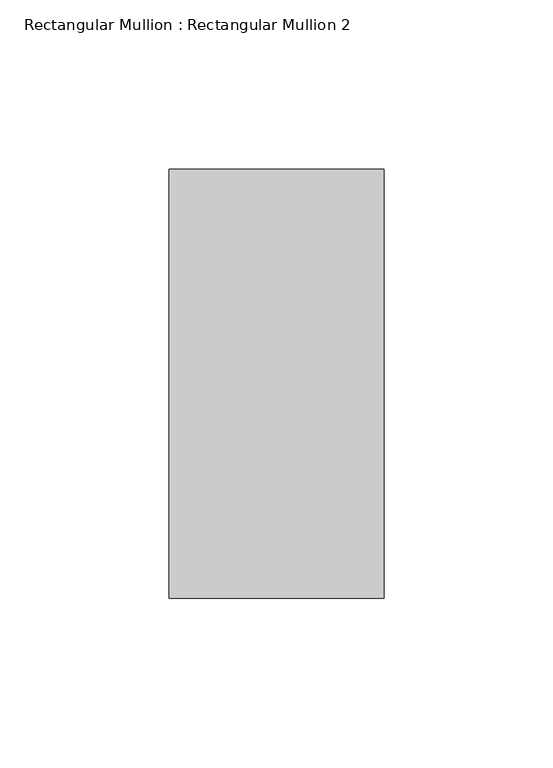
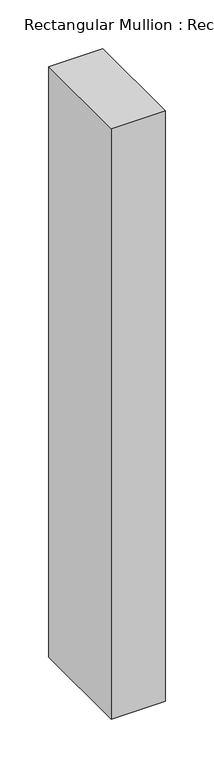
"""IFC4 building model written with IfcOpenShell, lengths in millimetres: member geometry, Rectangular Mullion : Rectangular Mullion 2."""

import ifcopenshell
import ifcopenshell.guid

model = None  # the IFC model being written
_history = None  # IfcOwnerHistory: only IFC2X3 demands one
_inside = {}  # id of a spatial element -> (the spatial element, [elements in it])
_under = {}  # id of a project, library or spatial element -> (it, [spatial elements below it])
_declared = {}  # id of a project -> (the project, [libraries it declares])
_typed = {}  # id of a type object -> (the type object, [elements of that type])
_made_of = {}  # id of a material, layer set ... -> (it, [elements and type objects made of it])


def new_model(schema):
    """Start an empty IFC model of exactly this schema.

    Asked for "IFC4X3", IfcOpenShell would pick the latest addendum, in which some entities
    have other attributes; the version numbers below select the first issue.
    IFC2X3 requires an IfcOwnerHistory on every rooted entity: one is made here for all.
    """
    global model, _history
    if schema == "IFC4X3":
        model = ifcopenshell.file(schema_version=(4, 3, 0, 0))
    else:
        model = ifcopenshell.file(schema=schema)
    _inside.clear()
    _under.clear()
    _declared.clear()
    _typed.clear()
    _made_of.clear()
    _history = None
    if model.schema == "IFC2X3":
        org = make("IfcOrganization", Name="unknown")
        user = make(
            "IfcPersonAndOrganization",
            ThePerson=make("IfcPerson", FamilyName="unknown"),
            TheOrganization=org,
        )
        app = make(
            "IfcApplication",
            ApplicationDeveloper=org,
            Version="unknown",
            ApplicationFullName="unknown",
            ApplicationIdentifier="unknown",
        )
        _history = make(
            "IfcOwnerHistory",
            OwningUser=user,
            OwningApplication=app,
            ChangeAction="ADDED",
            CreationDate=0,
        )
    return model


def make(cls, **values):
    """One entity of the class cls with the attributes given. An attribute that is None is left unset."""
    return model.create_entity(
        cls, **{name: value for name, value in values.items() if value is not None}
    )


def rooted(cls, **values):
    """An entity with a GlobalId (a new one), such as an element, a storey or a relation."""
    return make(cls, GlobalId=ifcopenshell.guid.new(), OwnerHistory=_history, **values)


def si_unit(unit_type, name, prefix=None):
    """IfcSIUnit, for example si_unit("LENGTHUNIT", "METRE", prefix="MILLI")."""
    return make("IfcSIUnit", UnitType=unit_type, Prefix=prefix, Name=name)


def assignment(units):
    """IfcUnitAssignment: the units of a project."""
    return None if units is None else make("IfcUnitAssignment", Units=units)


def point(xyz):
    """IfcCartesianPoint."""
    return None if xyz is None else make("IfcCartesianPoint", Coordinates=xyz)


def direction(xyz):
    """IfcDirection."""
    return None if xyz is None else make("IfcDirection", DirectionRatios=xyz)


def frame(location, z_axis=None, x_axis=None):
    """IfcAxis2Placement3D, a coordinate frame: its origin and axes. An axis left out is left unset."""
    return make(
        "IfcAxis2Placement3D",
        Location=point(location),
        Axis=direction(z_axis),
        RefDirection=direction(x_axis),
    )


def origin():
    """The frame at (0, 0, 0) with its axes left unset."""
    return frame((0.0, 0.0, 0.0))


def place(relative_to, where):
    """IfcLocalPlacement: puts the frame where relative to a parent placement (None: the world)."""
    return make(
        "IfcLocalPlacement", PlacementRelTo=relative_to, RelativePlacement=where
    )


def context(
    kind, dimensions, precision=None, world=None, true_north=None, identifier=None
):
    """IfcGeometricRepresentationContext, for example the 3D "Model" context."""
    return make(
        "IfcGeometricRepresentationContext",
        ContextIdentifier=identifier,
        ContextType=kind,
        CoordinateSpaceDimension=dimensions,
        Precision=precision,
        WorldCoordinateSystem=world,
        TrueNorth=true_north,
    )


def project(units=None, contexts=None):
    """IfcProject with its units and contexts."""
    return rooted(
        "IfcProject",
        Name="project",
        RepresentationContexts=contexts,
        UnitsInContext=assignment(units),
    )


def spatial(cls, under=None, at=None, **own):
    """A site, building, storey or space (cls), placed at a placement, below another one or the project."""
    s = rooted(cls, ObjectPlacement=at, **own)
    if under is not None:
        _under.setdefault(under.id(), (under, []))[1].append(s)
    return s


def polyline(points):
    """IfcPolyline through the points."""
    return make("IfcPolyline", Points=[point(p) for p in points])


def outline(outer, holes=None, kind="AREA"):
    """IfcArbitraryClosedProfileDef: a profile drawn as a closed curve; with holes, ...WithVoids."""
    if holes is None:
        return make("IfcArbitraryClosedProfileDef", ProfileType=kind, OuterCurve=outer)
    return make(
        "IfcArbitraryProfileDefWithVoids",
        ProfileType=kind,
        OuterCurve=outer,
        InnerCurves=holes,
    )


def extrude(swept, where, along, depth):
    """IfcExtrudedAreaSolid: the profile swept, set in the frame where, extruded along a direction by depth."""
    return make(
        "IfcExtrudedAreaSolid",
        SweptArea=swept,
        Position=where,
        ExtrudedDirection=direction(along),
        Depth=depth,
    )


def shape(context_of_items, identifier, shape_type, items):
    """IfcShapeRepresentation: the items that make up one representation, for example the "Body"."""
    return make(
        "IfcShapeRepresentation",
        ContextOfItems=context_of_items,
        RepresentationIdentifier=identifier,
        RepresentationType=shape_type,
        Items=items,
    )


def source(mapping_origin, context_of_items, identifier, shape_type, items):
    """IfcRepresentationMap: a shape defined once, which mapped items show again and again."""
    return make(
        "IfcRepresentationMap",
        MappingOrigin=mapping_origin,
        MappedRepresentation=shape(context_of_items, identifier, shape_type, items),
    )


def transform(
    local_origin,
    x_axis=None,
    y_axis=None,
    z_axis=None,
    scale=None,
    scale2=None,
    scale3=None,
    uniform=True,
):
    """IfcCartesianTransformationOperator3D, or its non-uniform kind. x_axis, y_axis, z_axis: its Axis1, 2, 3."""
    if uniform:
        return make(
            "IfcCartesianTransformationOperator3D",
            Axis1=direction(x_axis),
            Axis2=direction(y_axis),
            LocalOrigin=point(local_origin),
            Scale=scale,
            Axis3=direction(z_axis),
        )
    return make(
        "IfcCartesianTransformationOperator3DnonUniform",
        Axis1=direction(x_axis),
        Axis2=direction(y_axis),
        LocalOrigin=point(local_origin),
        Scale=scale,
        Axis3=direction(z_axis),
        Scale2=scale2,
        Scale3=scale3,
    )


def mapped(mapping_source, mapping_target):
    """IfcMappedItem: shows the shape of a source again, moved by a transform."""
    return make(
        "IfcMappedItem", MappingSource=mapping_source, MappingTarget=mapping_target
    )


def made_of(thing, what):
    """Note that an element or type object is made of a material, layer set ...; save() writes the relation."""
    if what is not None:
        _made_of.setdefault(what.id(), (what, []))[1].append(thing)
    return thing


def element(
    cls,
    number,
    at=None,
    inside=None,
    cuts=None,
    type_object=None,
    material=None,
    context=None,
    identifier="Body",
    shape_type=None,
    held_by="IfcProductDefinitionShape",
    body=None,
    shapes=None,
    **own,
):
    """One element of the class cls, such as IfcWall. Its Tag is "e" and its number.

    at: its placement. inside: the storey or other place that contains it. cuts: it is an
    opening in that element (IfcRelVoidsElement). A single representation is given by context,
    identifier, shape_type and body (its items); several are given by shapes. held_by: the class
    of the entity that holds the representations. save() writes the other relations.
    """
    e = rooted(cls, Tag="e%d" % number, ObjectPlacement=at, **own)
    if body is not None:
        shapes = [shape(context, identifier, shape_type, body)]
    if shapes is not None:
        e.Representation = make(held_by, Representations=shapes)
    if inside is not None:
        _inside.setdefault(inside.id(), (inside, []))[1].append(e)
    if cuts is not None:
        rooted(
            "IfcRelVoidsElement", RelatingBuildingElement=cuts, RelatedOpeningElement=e
        )
    if type_object is not None:
        _typed.setdefault(type_object.id(), (type_object, []))[1].append(e)
    return made_of(e, material)


def aggregate(whole, parts):
    """IfcRelAggregates: a whole, such as a stair, and the parts it consists of."""
    return rooted("IfcRelAggregates", RelatingObject=whole, RelatedObjects=parts)


def save(model, path):
    """Write the relations noted so far, then the file.

    IfcRelAggregates (storeys below a building ...), IfcRelContainedInSpatialStructure (elements
    in a storey), IfcRelDefinesByType, IfcRelAssociatesMaterial and IfcRelDeclares: one each for
    every whole, place, type object, material and project.
    """
    for whole, parts in _under.values():
        aggregate(whole, parts)
    for where, things in _inside.values():
        rooted(
            "IfcRelContainedInSpatialStructure",
            RelatedElements=things,
            RelatingStructure=where,
        )
    for kind, things in _typed.values():
        rooted("IfcRelDefinesByType", RelatedObjects=things, RelatingType=kind)
    for what, things in _made_of.values():
        rooted("IfcRelAssociatesMaterial", RelatedObjects=things, RelatingMaterial=what)
    for by, libraries in _declared.values():
        rooted("IfcRelDeclares", RelatingContext=by, RelatedDefinitions=libraries)
    model.write(path)


def rectangular_mullion_rectangular_mullion_2_d1cabc75(model_context):
    return source(origin(), model_context, "Body", "SweptSolid", [
        extrude(outline(polyline([(31.8, 188.5), (31.8, 61.5), (-31.8, 61.5), (-31.8, 188.5), (31.8, 188.5)])), frame((0.0, 0.0, -736.4), z_axis=(0.0, 0.0, 1.0), x_axis=(1.0, 0.0, 0.0)), (0.0, 0.0, 1.0), 736.4),
    ])


if __name__ == "__main__":
    model = new_model("IFC4")
    model_context = context("Model", 3, world=origin())
    ifc_project = project(units=[si_unit("LENGTHUNIT", "METRE", prefix="MILLI")], contexts=[model_context])
    site = spatial("IfcSite", under=ifc_project)
    building = spatial("IfcBuilding", under=site)
    placement = place(None, origin())
    rectangular_mullion_rectangular_mullion_2_shape = rectangular_mullion_rectangular_mullion_2_d1cabc75(model_context)
    element("IfcMember", 1, ObjectType="Rectangular Mullion : Rectangular Mullion 2", at=placement, inside=building, context=model_context, shape_type="MappedRepresentation", body=[
        mapped(rectangular_mullion_rectangular_mullion_2_shape, transform((0.0, 0.0, 0.0), x_axis=(1.0, 0.0, 0.0), y_axis=(0.0, 1.0, 0.0), z_axis=(0.0, 0.0, 1.0))),
    ])
    save(model, "model.ifc")
